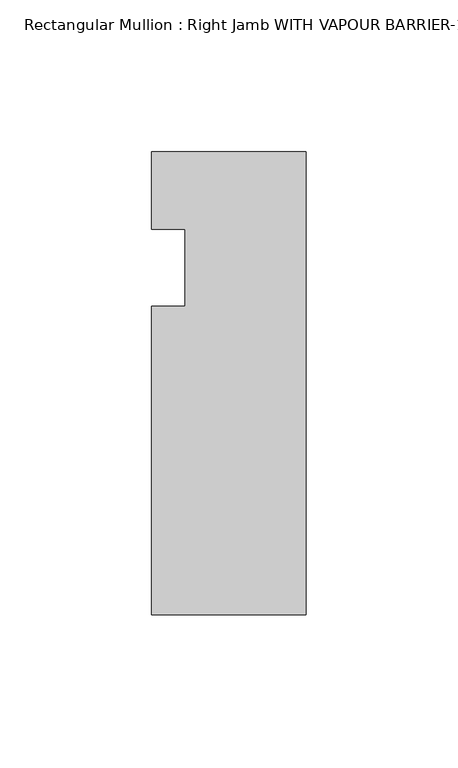
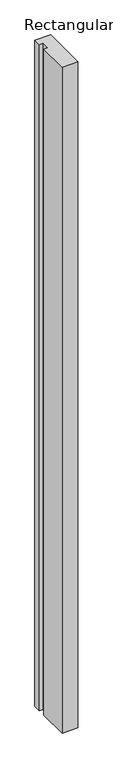
"""IFC4 building model written with IfcOpenShell, lengths in millimetres: member geometry."""

import ifcopenshell
import ifcopenshell.guid

model = None  # the IFC model being written
_history = None  # IfcOwnerHistory: only IFC2X3 demands one
_inside = {}  # id of a spatial element -> (the spatial element, [elements in it])
_under = {}  # id of a project, library or spatial element -> (it, [spatial elements below it])
_declared = {}  # id of a project -> (the project, [libraries it declares])
_typed = {}  # id of a type object -> (the type object, [elements of that type])
_made_of = {}  # id of a material, layer set ... -> (it, [elements and type objects made of it])


def new_model(schema):
    """Start an empty IFC model of exactly this schema.

    Asked for "IFC4X3", IfcOpenShell would pick the latest addendum, in which some entities
    have other attributes; the version numbers below select the first issue.
    IFC2X3 requires an IfcOwnerHistory on every rooted entity: one is made here for all.
    """
    global model, _history
    if schema == "IFC4X3":
        model = ifcopenshell.file(schema_version=(4, 3, 0, 0))
    else:
        model = ifcopenshell.file(schema=schema)
    _inside.clear()
    _under.clear()
    _declared.clear()
    _typed.clear()
    _made_of.clear()
    _history = None
    if model.schema == "IFC2X3":
        org = make("IfcOrganization", Name="unknown")
        user = make(
            "IfcPersonAndOrganization",
            ThePerson=make("IfcPerson", FamilyName="unknown"),
            TheOrganization=org,
        )
        app = make(
            "IfcApplication",
            ApplicationDeveloper=org,
            Version="unknown",
            ApplicationFullName="unknown",
            ApplicationIdentifier="unknown",
        )
        _history = make(
            "IfcOwnerHistory",
            OwningUser=user,
            OwningApplication=app,
            ChangeAction="ADDED",
            CreationDate=0,
        )
    return model


def make(cls, **values):
    """One entity of the class cls with the attributes given. An attribute that is None is left unset."""
    return model.create_entity(
        cls, **{name: value for name, value in values.items() if value is not None}
    )


def rooted(cls, **values):
    """An entity with a GlobalId (a new one), such as an element, a storey or a relation."""
    return make(cls, GlobalId=ifcopenshell.guid.new(), OwnerHistory=_history, **values)


def si_unit(unit_type, name, prefix=None):
    """IfcSIUnit, for example si_unit("LENGTHUNIT", "METRE", prefix="MILLI")."""
    return make("IfcSIUnit", UnitType=unit_type, Prefix=prefix, Name=name)


def assignment(units):
    """IfcUnitAssignment: the units of a project."""
    return None if units is None else make("IfcUnitAssignment", Units=units)


def point(xyz):
    """IfcCartesianPoint."""
    return None if xyz is None else make("IfcCartesianPoint", Coordinates=xyz)


def direction(xyz):
    """IfcDirection."""
    return None if xyz is None else make("IfcDirection", DirectionRatios=xyz)


def frame(location, z_axis=None, x_axis=None):
    """IfcAxis2Placement3D, a coordinate frame: its origin and axes. An axis left out is left unset."""
    return make(
        "IfcAxis2Placement3D",
        Location=point(location),
        Axis=direction(z_axis),
        RefDirection=direction(x_axis),
    )


def origin():
    """The frame at (0, 0, 0) with its axes left unset."""
    return frame((0.0, 0.0, 0.0))


def place(relative_to, where):
    """IfcLocalPlacement: puts the frame where relative to a parent placement (None: the world)."""
    return make(
        "IfcLocalPlacement", PlacementRelTo=relative_to, RelativePlacement=where
    )


def context(
    kind, dimensions, precision=None, world=None, true_north=None, identifier=None
):
    """IfcGeometricRepresentationContext, for example the 3D "Model" context."""
    return make(
        "IfcGeometricRepresentationContext",
        ContextIdentifier=identifier,
        ContextType=kind,
        CoordinateSpaceDimension=dimensions,
        Precision=precision,
        WorldCoordinateSystem=world,
        TrueNorth=true_north,
    )


def project(units=None, contexts=None):
    """IfcProject with its units and contexts."""
    return rooted(
        "IfcProject",
        Name="project",
        RepresentationContexts=contexts,
        UnitsInContext=assignment(units),
    )


def spatial(cls, under=None, at=None, **own):
    """A site, building, storey or space (cls), placed at a placement, below another one or the project."""
    s = rooted(cls, ObjectPlacement=at, **own)
    if under is not None:
        _under.setdefault(under.id(), (under, []))[1].append(s)
    return s


def polyline(points):
    """IfcPolyline through the points."""
    return make("IfcPolyline", Points=[point(p) for p in points])


def outline(outer, holes=None, kind="AREA"):
    """IfcArbitraryClosedProfileDef: a profile drawn as a closed curve; with holes, ...WithVoids."""
    if holes is None:
        return make("IfcArbitraryClosedProfileDef", ProfileType=kind, OuterCurve=outer)
    return make(
        "IfcArbitraryProfileDefWithVoids",
        ProfileType=kind,
        OuterCurve=outer,
        InnerCurves=holes,
    )


def extrude(swept, where, along, depth):
    """IfcExtrudedAreaSolid: the profile swept, set in the frame where, extruded along a direction by depth."""
    return make(
        "IfcExtrudedAreaSolid",
        SweptArea=swept,
        Position=where,
        ExtrudedDirection=direction(along),
        Depth=depth,
    )


def shape(context_of_items, identifier, shape_type, items):
    """IfcShapeRepresentation: the items that make up one representation, for example the "Body"."""
    return make(
        "IfcShapeRepresentation",
        ContextOfItems=context_of_items,
        RepresentationIdentifier=identifier,
        RepresentationType=shape_type,
        Items=items,
    )


def source(mapping_origin, context_of_items, identifier, shape_type, items):
    """IfcRepresentationMap: a shape defined once, which mapped items show again and again."""
    return make(
        "IfcRepresentationMap",
        MappingOrigin=mapping_origin,
        MappedRepresentation=shape(context_of_items, identifier, shape_type, items),
    )


def transform(
    local_origin,
    x_axis=None,
    y_axis=None,
    z_axis=None,
    scale=None,
    scale2=None,
    scale3=None,
    uniform=True,
):
    """IfcCartesianTransformationOperator3D, or its non-uniform kind. x_axis, y_axis, z_axis: its Axis1, 2, 3."""
    if uniform:
        return make(
            "IfcCartesianTransformationOperator3D",
            Axis1=direction(x_axis),
            Axis2=direction(y_axis),
            LocalOrigin=point(local_origin),
            Scale=scale,
            Axis3=direction(z_axis),
        )
    return make(
        "IfcCartesianTransformationOperator3DnonUniform",
        Axis1=direction(x_axis),
        Axis2=direction(y_axis),
        LocalOrigin=point(local_origin),
        Scale=scale,
        Axis3=direction(z_axis),
        Scale2=scale2,
        Scale3=scale3,
    )


def mapped(mapping_source, mapping_target):
    """IfcMappedItem: shows the shape of a source again, moved by a transform."""
    return make(
        "IfcMappedItem", MappingSource=mapping_source, MappingTarget=mapping_target
    )


def made_of(thing, what):
    """Note that an element or type object is made of a material, layer set ...; save() writes the relation."""
    if what is not None:
        _made_of.setdefault(what.id(), (what, []))[1].append(thing)
    return thing


def element(
    cls,
    number,
    at=None,
    inside=None,
    cuts=None,
    type_object=None,
    material=None,
    context=None,
    identifier="Body",
    shape_type=None,
    held_by="IfcProductDefinitionShape",
    body=None,
    shapes=None,
    **own,
):
    """One element of the class cls, such as IfcWall. Its Tag is "e" and its number.

    at: its placement. inside: the storey or other place that contains it. cuts: it is an
    opening in that element (IfcRelVoidsElement). A single representation is given by context,
    identifier, shape_type and body (its items); several are given by shapes. held_by: the class
    of the entity that holds the representations. save() writes the other relations.
    """
    e = rooted(cls, Tag="e%d" % number, ObjectPlacement=at, **own)
    if body is not None:
        shapes = [shape(context, identifier, shape_type, body)]
    if shapes is not None:
        e.Representation = make(held_by, Representations=shapes)
    if inside is not None:
        _inside.setdefault(inside.id(), (inside, []))[1].append(e)
    if cuts is not None:
        rooted(
            "IfcRelVoidsElement", RelatingBuildingElement=cuts, RelatedOpeningElement=e
        )
    if type_object is not None:
        _typed.setdefault(type_object.id(), (type_object, []))[1].append(e)
    return made_of(e, material)


def aggregate(whole, parts):
    """IfcRelAggregates: a whole, such as a stair, and the parts it consists of."""
    return rooted("IfcRelAggregates", RelatingObject=whole, RelatedObjects=parts)


def save(model, path):
    """Write the relations noted so far, then the file.

    IfcRelAggregates (storeys below a building ...), IfcRelContainedInSpatialStructure (elements
    in a storey), IfcRelDefinesByType, IfcRelAssociatesMaterial and IfcRelDeclares: one each for
    every whole, place, type object, material and project.
    """
    for whole, parts in _under.values():
        aggregate(whole, parts)
    for where, things in _inside.values():
        rooted(
            "IfcRelContainedInSpatialStructure",
            RelatedElements=things,
            RelatingStructure=where,
        )
    for kind, things in _typed.values():
        rooted("IfcRelDefinesByType", RelatedObjects=things, RelatingType=kind)
    for what, things in _made_of.values():
        rooted("IfcRelAssociatesMaterial", RelatedObjects=things, RelatingMaterial=what)
    for by, libraries in _declared.values():
        rooted("IfcRelDeclares", RelatingContext=by, RelatedDefinitions=libraries)
    model.write(path)


def member_077a86a2(model_context):
    return source(origin(), model_context, "Body", "SweptSolid", [
        extrude(outline(polyline([(-50.8, -146.05), (-50.8, -44.45), (-39.8272, -44.45), (-39.8272, -19.05), (-50.8, -19.05), (-50.8, 6.35), (0.0, 6.35), (0.0, -146.05), (-50.8, -146.05)])), frame((0.0, 0.0, -2286.0), z_axis=(0.0, 0.0, 1.0), x_axis=(1.0, 0.0, 0.0)), (0.0, 0.0, 1.0), 2286.0),
    ])


if __name__ == "__main__":
    model = new_model("IFC4")
    model_context = context("Model", 3, world=origin())
    ifc_project = project(units=[si_unit("LENGTHUNIT", "METRE", prefix="MILLI")], contexts=[model_context])
    site = spatial("IfcSite", under=ifc_project)
    building = spatial("IfcBuilding", under=site)
    placement = place(None, origin())
    member_shape = member_077a86a2(model_context)
    element("IfcMember", 1, ObjectType="Rectangular Mullion : Right Jamb WITH VAPOUR BARRIER-1\" INFILL-model", at=placement, inside=building, context=model_context, shape_type="MappedRepresentation", body=[
        mapped(member_shape, transform((0.0, 0.0, 0.0), x_axis=(1.0, 0.0, 0.0), y_axis=(0.0, 1.0, 0.0), z_axis=(0.0, 0.0, 1.0))),
    ])
    save(model, "model.ifc")
